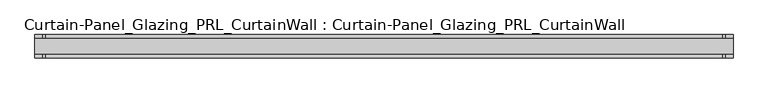
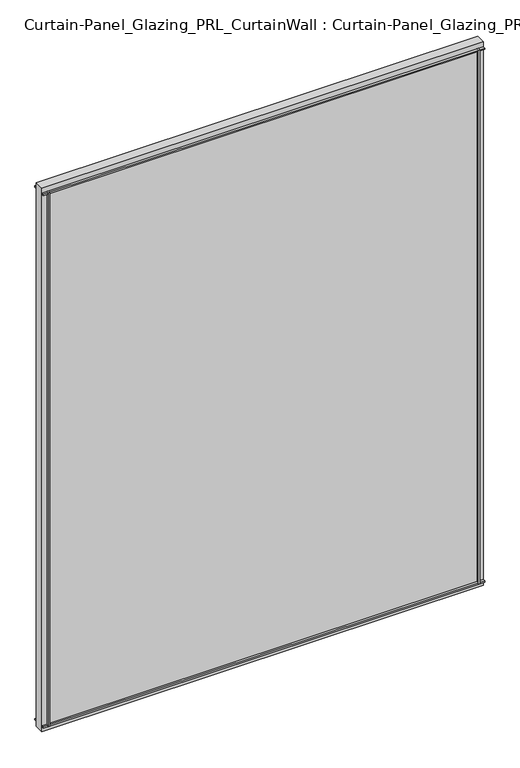
"""IFC4 building model written with IfcOpenShell, lengths in millimetres: plate geometry, Curtain-Panel_Glazing_PRL_CurtainWall : Curtain-Panel_Glazing_PRL_CurtainWall."""

from ifc_helpers import new_model, si_unit, frame, origin, origin_with_axes, place, context, project, spatial, polyline, outline, extrude, source, transform, mapped, element, save


def curtain_panel_glazing_prl_curtainwall_curtain_panel_glazing_9d75c870(model_context):
    return source(origin(), model_context, "Body", "SweptSolid", [
        extrude(outline(polyline([(558.8, -19.05), (554.83125, -19.05), (554.83125, -12.7), (558.8, -12.7), (558.8, -19.05)])), frame((0.0, 0.0, 12.7), z_axis=(0.0, 0.0, 1.0), x_axis=(1.0, 0.0, 0.0)), (0.0, 0.0, 1.0), 1460.5),
        extrude(outline(polyline([(558.8, 19.05), (558.8, 12.7), (554.83125, 12.7), (554.83125, 19.05), (558.8, 19.05)])), frame((0.0, 0.0, 12.7), z_axis=(0.0, 0.0, 1.0), x_axis=(1.0, 0.0, 0.0)), (0.0, 0.0, 1.0), 1460.5),
        extrude(outline(polyline([(-558.8, -19.05), (-558.8, -12.7), (-554.83125, -12.7), (-554.83125, -19.05), (-558.8, -19.05)])), frame((0.0, 0.0, 12.7), z_axis=(0.0, 0.0, 1.0), x_axis=(1.0, 0.0, 0.0)), (0.0, 0.0, 1.0), 1460.5),
        extrude(outline(polyline([(-558.8, 19.05), (-554.83125, 19.05), (-554.83125, 12.7), (-558.8, 12.7), (-558.8, 19.05)])), frame((0.0, 0.0, 12.7), z_axis=(0.0, 0.0, 1.0), x_axis=(1.0, 0.0, 0.0)), (0.0, 0.0, 1.0), 1460.5),
        extrude(outline(polyline([(571.5, 12.7), (571.5, -12.7), (-571.5, -12.7), (-571.5, 12.7), (571.5, 12.7)])), origin_with_axes(), (0.0, 0.0, 1.0), 1485.9),
        extrude(outline(polyline([(-571.5, -19.05), (-571.5, -12.7), (571.5, -12.7), (571.5, -19.05), (-571.5, -19.05)])), frame((0.0, 0.0, 1469.23125), z_axis=(0.0, 0.0, 1.0), x_axis=(1.0, 0.0, 0.0)), (0.0, 0.0, 1.0), 3.96875),
        extrude(outline(polyline([(-571.5, 19.05), (571.5, 19.05), (571.5, 12.7), (-571.5, 12.7), (-571.5, 19.05)])), frame((0.0, 0.0, 1469.23125), z_axis=(0.0, 0.0, 1.0), x_axis=(1.0, 0.0, 0.0)), (0.0, 0.0, 1.0), 3.96875),
        extrude(outline(polyline([(-571.5, -19.05), (-571.5, -12.7), (571.5, -12.7), (571.5, -19.05), (-571.5, -19.05)])), frame((0.0, 0.0, 12.7), z_axis=(0.0, 0.0, 1.0), x_axis=(1.0, 0.0, 0.0)), (0.0, 0.0, 1.0), 3.96875),
        extrude(outline(polyline([(-571.5, 19.05), (571.5, 19.05), (571.5, 12.7), (-571.5, 12.7), (-571.5, 19.05)])), frame((0.0, 0.0, 12.7), z_axis=(0.0, 0.0, 1.0), x_axis=(1.0, 0.0, 0.0)), (0.0, 0.0, 1.0), 3.96875),
    ])


if __name__ == "__main__":
    model = new_model("IFC4")
    model_context = context("Model", 3, world=origin())
    ifc_project = project(units=[si_unit("LENGTHUNIT", "METRE", prefix="MILLI")], contexts=[model_context])
    site = spatial("IfcSite", under=ifc_project)
    building = spatial("IfcBuilding", under=site)
    placement = place(None, origin())
    curtain_panel_glazing_prl_curtainwall_curtain_panel_glazing_shape = curtain_panel_glazing_prl_curtainwall_curtain_panel_glazing_9d75c870(model_context)
    element("IfcPlate", 1, ObjectType="Curtain-Panel_Glazing_PRL_CurtainWall : Curtain-Panel_Glazing_PRL_CurtainWall", at=placement, inside=building, context=model_context, shape_type="MappedRepresentation", body=[
        mapped(curtain_panel_glazing_prl_curtainwall_curtain_panel_glazing_shape, transform((0.0, 0.0, 0.0), x_axis=(1.0, 0.0, 0.0), y_axis=(0.0, 1.0, 0.0), z_axis=(0.0, 0.0, 1.0))),
    ])
    save(model, "model.ifc")
